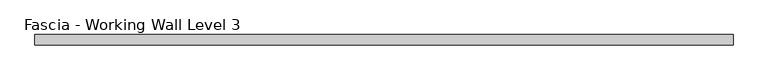
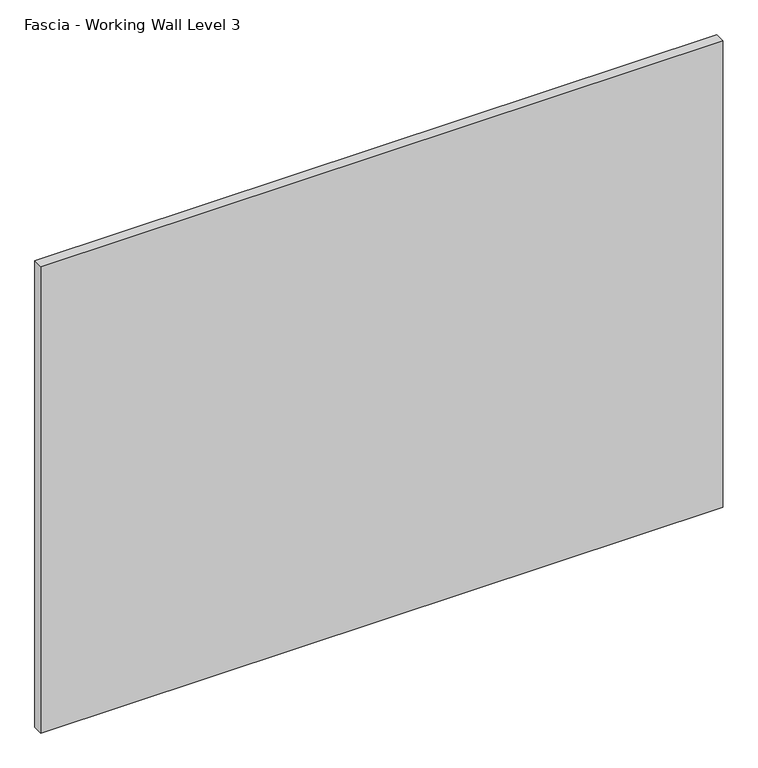
"""IFC4 building model written with IfcOpenShell, lengths in millimetres: proxy geometry, Fascia - Working Wall Level 3."""

from ifc_helpers import new_model, si_unit, origin, origin_with_axes, place, context, project, spatial, polyline, outline, extrude, source, transform, mapped, element, save


def fascia_working_wall_level_3_3aa1493e(model_context):
    return source(origin(), model_context, "Body", "SweptSolid", [
        extrude(outline(polyline([(-672.4147866, -24.22678), (-672.4147866, -6.75158), (510.8622116, -6.75158), (510.8622116, -24.22678), (-672.4147866, -24.22678)])), origin_with_axes(), (0.0, 0.0, 1.0), 855.9484),
    ])


if __name__ == "__main__":
    model = new_model("IFC4")
    model_context = context("Model", 3, world=origin())
    ifc_project = project(units=[si_unit("LENGTHUNIT", "METRE", prefix="MILLI")], contexts=[model_context])
    site = spatial("IfcSite", under=ifc_project)
    building = spatial("IfcBuilding", under=site)
    placement = place(None, origin())
    fascia_working_wall_level_3_shape = fascia_working_wall_level_3_3aa1493e(model_context)
    element("IfcBuildingElementProxy", 1, Name="Fascia - Working Wall Level 3", ObjectType="Fascia - Working Wall Level 3", at=placement, inside=building, context=model_context, shape_type="MappedRepresentation", body=[
        mapped(fascia_working_wall_level_3_shape, transform((0.0, 0.0, 0.0), x_axis=(1.0, 0.0, 0.0), y_axis=(0.0, 1.0, 0.0), z_axis=(0.0, 0.0, 1.0))),
    ])
    save(model, "model.ifc")
